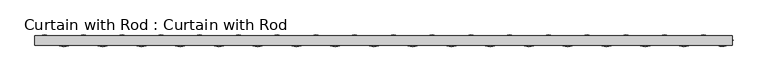
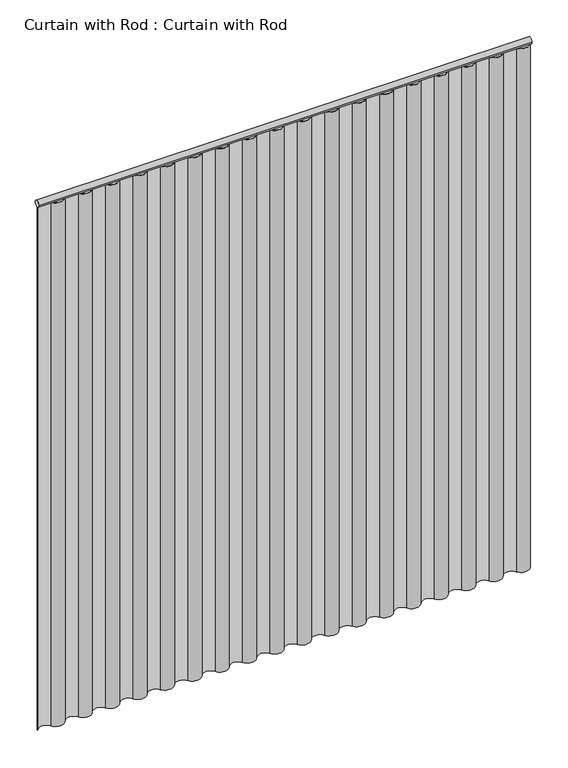
"""IFC4 building model written with IfcOpenShell, lengths in millimetres: proxy geometry, Curtain with Rod : Curtain with Rod."""

from ifc_helpers import new_model, si_unit, point, frame, frame_2d, origin, origin_with_axes, place, context, project, spatial, polyline, circle_curve, trimmed, segment, composite_curve, outline, extrude, source, transform, mapped, element, save


def curtain_with_rod_curtain_with_rod_838fe0cf(model_context):
    return source(origin(), model_context, "Body", "SweptSolid", [
        extrude(outline(composite_curve([segment(trimmed(circle_curve(frame_2d((0.0, 2171.7)), 12.7), [point((-12.7, 2171.7))], [point((12.7, 2171.7))], False, "CARTESIAN"), True, "CONTINUOUS"), segment(trimmed(circle_curve(frame_2d((0.0, 2171.7)), 12.7), [point((12.7, 2171.7))], [point((-12.7, 2171.7))], False, "CARTESIAN"), True, "CONTINUOUS")], self_intersect=False)), frame((-961.6428061, 0.0, 0.0), z_axis=(1.0, 0.0, 0.0), x_axis=(0.0, 1.0, 0.0)), (0.0, 0.0, 1.0), 1923.2856122),
        extrude(outline(composite_curve([segment(trimmed(circle_curve(frame_2d((-881.5059056, 15.8809613)), 31.0765492), [point((-908.2182058, 0.0))], [point((-854.7936054, 0.0))], True, "CARTESIAN"), True, "CONTINUOUS"), segment(trimmed(circle_curve(frame_2d((-828.0813052, -15.8809613)), 31.0765492), [point((-854.7936054, 0.0))], [point((-801.3690051, 0.0))], False, "CARTESIAN"), True, "CONTINUOUS"), segment(trimmed(circle_curve(frame_2d((-774.6567049, 15.8809613)), 31.0765492), [point((-801.3690051, 0.0))], [point((-747.9444047, 0.0))], True, "CARTESIAN"), True, "CONTINUOUS"), segment(trimmed(circle_curve(frame_2d((-721.2321046, -15.8809613)), 31.0765492), [point((-747.9444047, 0.0))], [point((-694.5198044, 0.0))], False, "CARTESIAN"), True, "CONTINUOUS"), segment(trimmed(circle_curve(frame_2d((-667.8075042, 15.8809613)), 31.0765492), [point((-694.5198044, 0.0))], [point((-641.0952041, 0.0))], True, "CARTESIAN"), True, "CONTINUOUS"), segment(trimmed(circle_curve(frame_2d((-614.3829039, -15.8809613)), 31.0765492), [point((-641.0952041, 0.0))], [point((-587.6706037, 0.0))], False, "CARTESIAN"), True, "CONTINUOUS"), segment(trimmed(circle_curve(frame_2d((-560.9583036, 15.8809613)), 31.0765492), [point((-587.6706037, 0.0))], [point((-534.2460034, 0.0))], True, "CARTESIAN"), True, "CONTINUOUS"), segment(trimmed(circle_curve(frame_2d((-507.5337032, -15.8809613)), 31.0765492), [point((-534.2460034, 0.0))], [point((-480.821403, 0.0))], False, "CARTESIAN"), True, "CONTINUOUS"), segment(trimmed(circle_curve(frame_2d((-454.1091029, 15.8809613)), 31.0765492), [point((-480.821403, 0.0))], [point((-427.3968027, 0.0))], True, "CARTESIAN"), True, "CONTINUOUS"), segment(trimmed(circle_curve(frame_2d((-400.6845025, -15.8809613)), 31.0765492), [point((-427.3968027, 0.0))], [point((-373.9722024, 0.0))], False, "CARTESIAN"), True, "CONTINUOUS"), segment(trimmed(circle_curve(frame_2d((-347.2599022, 15.8809613)), 31.0765492), [point((-373.9722024, 0.0))], [point((-320.547602, 0.0))], True, "CARTESIAN"), True, "CONTINUOUS"), segment(trimmed(circle_curve(frame_2d((-293.8353019, -15.8809613)), 31.0765492), [point((-320.547602, 0.0))], [point((-267.1230017, 0.0))], False, "CARTESIAN"), True, "CONTINUOUS"), segment(trimmed(circle_curve(frame_2d((-240.4107015, 15.8809613)), 31.0765492), [point((-267.1230017, 0.0))], [point((-213.6984014, 0.0))], True, "CARTESIAN"), True, "CONTINUOUS"), segment(trimmed(circle_curve(frame_2d((-186.9861012, -15.8809613)), 31.0765492), [point((-213.6984014, 0.0))], [point((-160.273801, 0.0))], False, "CARTESIAN"), True, "CONTINUOUS"), segment(trimmed(circle_curve(frame_2d((-133.5615008, 15.8809613)), 31.0765492), [point((-160.273801, 0.0))], [point((-106.8492007, 0.0))], True, "CARTESIAN"), True, "CONTINUOUS"), segment(trimmed(circle_curve(frame_2d((-80.1369005, -15.8809613)), 31.0765492), [point((-106.8492007, 0.0))], [point((-53.4246003, 0.0))], False, "CARTESIAN"), True, "CONTINUOUS"), segment(trimmed(circle_curve(frame_2d((-26.7123002, 15.8809613)), 31.0765492), [point((-53.4246003, 0.0))], [point((0.0, 0.0))], True, "CARTESIAN"), True, "CONTINUOUS"), segment(trimmed(circle_curve(frame_2d((26.7123002, -15.8809613)), 31.0765492), [point((0.0, 0.0))], [point((53.4246003, 0.0))], False, "CARTESIAN"), True, "CONTINUOUS"), segment(trimmed(circle_curve(frame_2d((80.1369005, 15.8809613)), 31.0765492), [point((53.4246003, 0.0))], [point((106.8492007, 0.0))], True, "CARTESIAN"), True, "CONTINUOUS"), segment(trimmed(circle_curve(frame_2d((133.5615008, -15.8809613)), 31.0765492), [point((106.8492007, 0.0))], [point((160.273801, 0.0))], False, "CARTESIAN"), True, "CONTINUOUS"), segment(trimmed(circle_curve(frame_2d((186.9861012, 15.8809613)), 31.0765492), [point((160.273801, 0.0))], [point((213.6984014, 0.0))], True, "CARTESIAN"), True, "CONTINUOUS"), segment(trimmed(circle_curve(frame_2d((240.4107015, -15.8809613)), 31.0765492), [point((213.6984014, 0.0))], [point((267.1230017, 0.0))], False, "CARTESIAN"), True, "CONTINUOUS"), segment(trimmed(circle_curve(frame_2d((293.8353019, 15.8809613)), 31.0765492), [point((267.1230017, 0.0))], [point((320.547602, 0.0))], True, "CARTESIAN"), True, "CONTINUOUS"), segment(trimmed(circle_curve(frame_2d((347.2599022, -15.8809613)), 31.0765492), [point((320.547602, 0.0))], [point((373.9722024, 0.0))], False, "CARTESIAN"), True, "CONTINUOUS"), segment(trimmed(circle_curve(frame_2d((400.6845025, 15.8809613)), 31.0765492), [point((373.9722024, 0.0))], [point((427.3968027, 0.0))], True, "CARTESIAN"), True, "CONTINUOUS"), segment(trimmed(circle_curve(frame_2d((454.1091029, -15.8809613)), 31.0765492), [point((427.3968027, 0.0))], [point((480.821403, 0.0))], False, "CARTESIAN"), True, "CONTINUOUS"), segment(trimmed(circle_curve(frame_2d((507.5337032, 15.8809613)), 31.0765492), [point((480.821403, 0.0))], [point((534.2460034, 0.0))], True, "CARTESIAN"), True, "CONTINUOUS"), segment(trimmed(circle_curve(frame_2d((560.9583036, -15.8809613)), 31.0765492), [point((534.2460034, 0.0))], [point((587.6706037, 0.0))], False, "CARTESIAN"), True, "CONTINUOUS"), segment(trimmed(circle_curve(frame_2d((614.3829039, 15.8809613)), 31.0765492), [point((587.6706037, 0.0))], [point((641.0952041, 0.0))], True, "CARTESIAN"), True, "CONTINUOUS"), segment(trimmed(circle_curve(frame_2d((667.8075042, -15.8809613)), 31.0765492), [point((641.0952041, 0.0))], [point((694.5198044, 0.0))], False, "CARTESIAN"), True, "CONTINUOUS"), segment(trimmed(circle_curve(frame_2d((721.2321046, 15.8809613)), 31.0765492), [point((694.5198044, 0.0))], [point((747.9444047, 0.0))], True, "CARTESIAN"), True, "CONTINUOUS"), segment(trimmed(circle_curve(frame_2d((774.6567049, -15.8809613)), 31.0765492), [point((747.9444047, 0.0))], [point((801.3690051, 0.0))], False, "CARTESIAN"), True, "CONTINUOUS"), segment(trimmed(circle_curve(frame_2d((828.0813052, 15.8809613)), 31.0765492), [point((801.3690051, 0.0))], [point((854.7936054, 0.0))], True, "CARTESIAN"), True, "CONTINUOUS"), segment(trimmed(circle_curve(frame_2d((881.5059056, -15.8809613)), 31.0765492), [point((854.7936054, 0.0))], [point((908.2182058, 0.0))], False, "CARTESIAN"), True, "CONTINUOUS"), segment(trimmed(circle_curve(frame_2d((934.9305059, 15.8516381)), 31.0615745), [point((908.2182058, 0.0))], [point((961.6428061, 0.0))], True, "CARTESIAN"), True, "CONTINUOUS"), segment(polyline([(961.6428061, 0.0), (963.4738555, 0.0)]), True, "CONTINUOUS"), segment(trimmed(circle_curve(frame_2d((934.9305059, 15.8516381)), 32.6496131), [point((963.4738555, 0.0))], [point((906.8592902, -0.8218164))], False, "CARTESIAN"), True, "CONTINUOUS"), segment(trimmed(circle_curve(frame_2d((881.5059056, -15.8809613)), 29.4885054), [point((906.8592902, -0.8218164))], [point((856.1586316, -0.8115335))], True, "CARTESIAN"), True, "CONTINUOUS"), segment(trimmed(circle_curve(frame_2d((828.0813052, 15.8809613)), 32.664593), [point((856.1586316, -0.8115335))], [point((800.0039789, -0.8115335))], False, "CARTESIAN"), True, "CONTINUOUS"), segment(trimmed(circle_curve(frame_2d((774.6567049, -15.8809613)), 29.4885054), [point((800.0039789, -0.8115335))], [point((749.3094309, -0.8115335))], True, "CARTESIAN"), True, "CONTINUOUS"), segment(trimmed(circle_curve(frame_2d((721.2321046, 15.8809613)), 32.664593), [point((749.3094309, -0.8115335))], [point((693.1547782, -0.8115335))], False, "CARTESIAN"), True, "CONTINUOUS"), segment(trimmed(circle_curve(frame_2d((667.8075042, -15.8809613)), 29.4885054), [point((693.1547782, -0.8115335))], [point((642.4602302, -0.8115335))], True, "CARTESIAN"), True, "CONTINUOUS"), segment(trimmed(circle_curve(frame_2d((614.3829039, 15.8809613)), 32.664593), [point((642.4602302, -0.8115335))], [point((586.3055776, -0.8115335))], False, "CARTESIAN"), True, "CONTINUOUS"), segment(trimmed(circle_curve(frame_2d((560.9583036, -15.8809613)), 29.4885054), [point((586.3055776, -0.8115335))], [point((535.6110295, -0.8115335))], True, "CARTESIAN"), True, "CONTINUOUS"), segment(trimmed(circle_curve(frame_2d((507.5337032, 15.8809613)), 32.664593), [point((535.6110295, -0.8115335))], [point((479.4563769, -0.8115335))], False, "CARTESIAN"), True, "CONTINUOUS"), segment(trimmed(circle_curve(frame_2d((454.1091029, -15.8809613)), 29.4885054), [point((479.4563769, -0.8115335))], [point((428.7618289, -0.8115335))], True, "CARTESIAN"), True, "CONTINUOUS"), segment(trimmed(circle_curve(frame_2d((400.6845025, 15.8809613)), 32.664593), [point((428.7618289, -0.8115335))], [point((372.6071762, -0.8115335))], False, "CARTESIAN"), True, "CONTINUOUS"), segment(trimmed(circle_curve(frame_2d((347.2599022, -15.8809613)), 29.4885054), [point((372.6071762, -0.8115335))], [point((321.9126282, -0.8115335))], True, "CARTESIAN"), True, "CONTINUOUS"), segment(trimmed(circle_curve(frame_2d((293.8353019, 15.8809613)), 32.664593), [point((321.9126282, -0.8115335))], [point((265.7579755, -0.8115335))], False, "CARTESIAN"), True, "CONTINUOUS"), segment(trimmed(circle_curve(frame_2d((240.4107015, -15.8809613)), 29.4885054), [point((265.7579755, -0.8115335))], [point((215.0634275, -0.8115335))], True, "CARTESIAN"), True, "CONTINUOUS"), segment(trimmed(circle_curve(frame_2d((186.9861012, 15.8809613)), 32.664593), [point((215.0634275, -0.8115335))], [point((158.9087749, -0.8115335))], False, "CARTESIAN"), True, "CONTINUOUS"), segment(trimmed(circle_curve(frame_2d((133.5615008, -15.8809613)), 29.4885054), [point((158.9087749, -0.8115335))], [point((108.2142268, -0.8115335))], True, "CARTESIAN"), True, "CONTINUOUS"), segment(trimmed(circle_curve(frame_2d((80.1369005, 15.8809613)), 32.664593), [point((108.2142268, -0.8115335))], [point((52.0595742, -0.8115335))], False, "CARTESIAN"), True, "CONTINUOUS"), segment(trimmed(circle_curve(frame_2d((26.7123002, -15.8809613)), 29.4885054), [point((52.0595742, -0.8115335))], [point((1.3650262, -0.8115335))], True, "CARTESIAN"), True, "CONTINUOUS"), segment(trimmed(circle_curve(frame_2d((-26.7123002, 15.8809613)), 32.664593), [point((1.3650262, -0.8115335))], [point((-54.7896265, -0.8115335))], False, "CARTESIAN"), True, "CONTINUOUS"), segment(trimmed(circle_curve(frame_2d((-80.1369005, -15.8809613)), 29.4885054), [point((-54.7896265, -0.8115335))], [point((-105.4841745, -0.8115335))], True, "CARTESIAN"), True, "CONTINUOUS"), segment(trimmed(circle_curve(frame_2d((-133.5615008, 15.8809613)), 32.664593), [point((-105.4841745, -0.8115335))], [point((-161.6388272, -0.8115335))], False, "CARTESIAN"), True, "CONTINUOUS"), segment(trimmed(circle_curve(frame_2d((-186.9861012, -15.8809613)), 29.4885054), [point((-161.6388272, -0.8115335))], [point((-212.3333752, -0.8115335))], True, "CARTESIAN"), True, "CONTINUOUS"), segment(trimmed(circle_curve(frame_2d((-240.4107015, 15.8809613)), 32.664593), [point((-212.3333752, -0.8115335))], [point((-268.4880279, -0.8115335))], False, "CARTESIAN"), True, "CONTINUOUS"), segment(trimmed(circle_curve(frame_2d((-293.8353019, -15.8809613)), 29.4885054), [point((-268.4880279, -0.8115335))], [point((-319.1825759, -0.8115335))], True, "CARTESIAN"), True, "CONTINUOUS"), segment(trimmed(circle_curve(frame_2d((-347.2599022, 15.8809613)), 32.664593), [point((-319.1825759, -0.8115335))], [point((-375.3372285, -0.8115335))], False, "CARTESIAN"), True, "CONTINUOUS"), segment(trimmed(circle_curve(frame_2d((-400.6845025, -15.8809613)), 29.4885054), [point((-375.3372285, -0.8115335))], [point((-426.0317766, -0.8115335))], True, "CARTESIAN"), True, "CONTINUOUS"), segment(trimmed(circle_curve(frame_2d((-454.1091029, 15.8809613)), 32.664593), [point((-426.0317766, -0.8115335))], [point((-482.1864292, -0.8115335))], False, "CARTESIAN"), True, "CONTINUOUS"), segment(trimmed(circle_curve(frame_2d((-507.5337032, -15.8809613)), 29.4885054), [point((-482.1864292, -0.8115335))], [point((-532.8809772, -0.8115335))], True, "CARTESIAN"), True, "CONTINUOUS"), segment(trimmed(circle_curve(frame_2d((-560.9583036, 15.8809613)), 32.664593), [point((-532.8809772, -0.8115335))], [point((-589.0356299, -0.8115335))], False, "CARTESIAN"), True, "CONTINUOUS"), segment(trimmed(circle_curve(frame_2d((-614.3829039, -15.8809613)), 29.4885054), [point((-589.0356299, -0.8115335))], [point((-639.7301779, -0.8115335))], True, "CARTESIAN"), True, "CONTINUOUS"), segment(trimmed(circle_curve(frame_2d((-667.8075042, 15.8809613)), 32.664593), [point((-639.7301779, -0.8115335))], [point((-695.8848306, -0.8115335))], False, "CARTESIAN"), True, "CONTINUOUS"), segment(trimmed(circle_curve(frame_2d((-721.2321046, -15.8809613)), 29.4885054), [point((-695.8848306, -0.8115335))], [point((-746.5793786, -0.8115335))], True, "CARTESIAN"), True, "CONTINUOUS"), segment(trimmed(circle_curve(frame_2d((-774.6567049, 15.8809613)), 32.664593), [point((-746.5793786, -0.8115335))], [point((-802.7340312, -0.8115335))], False, "CARTESIAN"), True, "CONTINUOUS"), segment(trimmed(circle_curve(frame_2d((-828.0813052, -15.8809613)), 29.4885054), [point((-802.7340312, -0.8115335))], [point((-853.4285793, -0.8115335))], True, "CARTESIAN"), True, "CONTINUOUS"), segment(trimmed(circle_curve(frame_2d((-881.5059056, 15.8809613)), 32.664593), [point((-853.4285793, -0.8115335))], [point((-909.5829738, -0.8119678))], False, "CARTESIAN"), True, "CONTINUOUS"), segment(trimmed(circle_curve(frame_2d((-934.9305059, -15.9107277)), 29.5037275), [point((-909.5829738, -0.8119678))], [point((-959.7764046, 0.0))], True, "CARTESIAN"), True, "CONTINUOUS"), segment(polyline([(-959.7764046, 0.0), (-961.6428061, 0.0)]), True, "CONTINUOUS"), segment(trimmed(circle_curve(frame_2d((-934.9305059, -15.9107277)), 31.0917712), [point((-961.6428061, 0.0))], [point((-908.2182058, 0.0))], False, "CARTESIAN"), True, "CONTINUOUS")], self_intersect=False)), origin_with_axes(), (0.0, 0.0, 1.0), 2159.0),
    ])


if __name__ == "__main__":
    model = new_model("IFC4")
    model_context = context("Model", 3, world=origin())
    ifc_project = project(units=[si_unit("LENGTHUNIT", "METRE", prefix="MILLI")], contexts=[model_context])
    site = spatial("IfcSite", under=ifc_project)
    building = spatial("IfcBuilding", under=site)
    placement = place(None, origin())
    curtain_with_rod_curtain_with_rod_shape = curtain_with_rod_curtain_with_rod_838fe0cf(model_context)
    element("IfcBuildingElementProxy", 1, Name="Curtain with Rod : Curtain with Rod", ObjectType="Curtain with Rod : Curtain with Rod", at=placement, inside=building, context=model_context, shape_type="MappedRepresentation", body=[
        mapped(curtain_with_rod_curtain_with_rod_shape, transform((0.0, 0.0, 0.0), x_axis=(1.0, 0.0, 0.0), y_axis=(0.0, 1.0, 0.0), z_axis=(0.0, 0.0, 1.0))),
    ])
    save(model, "model.ifc")
